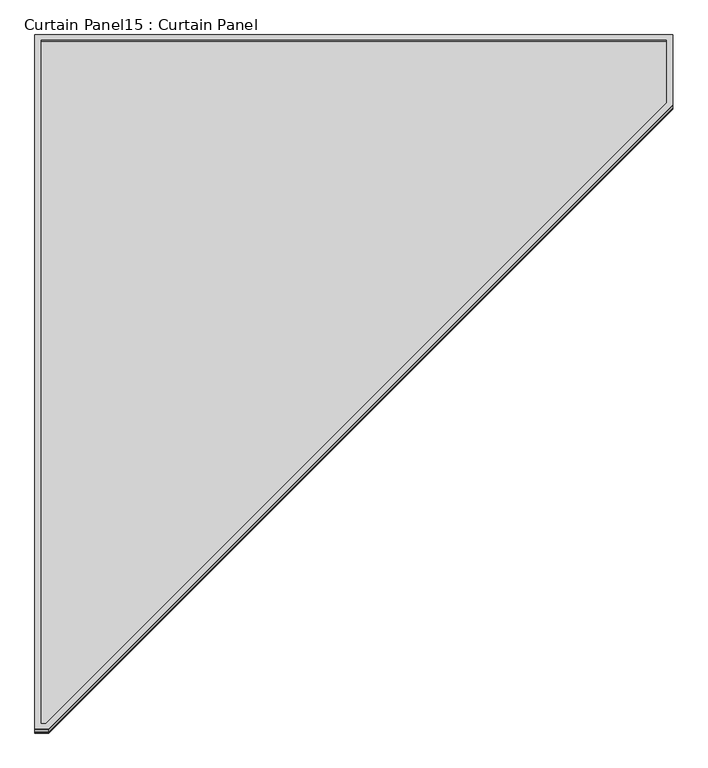
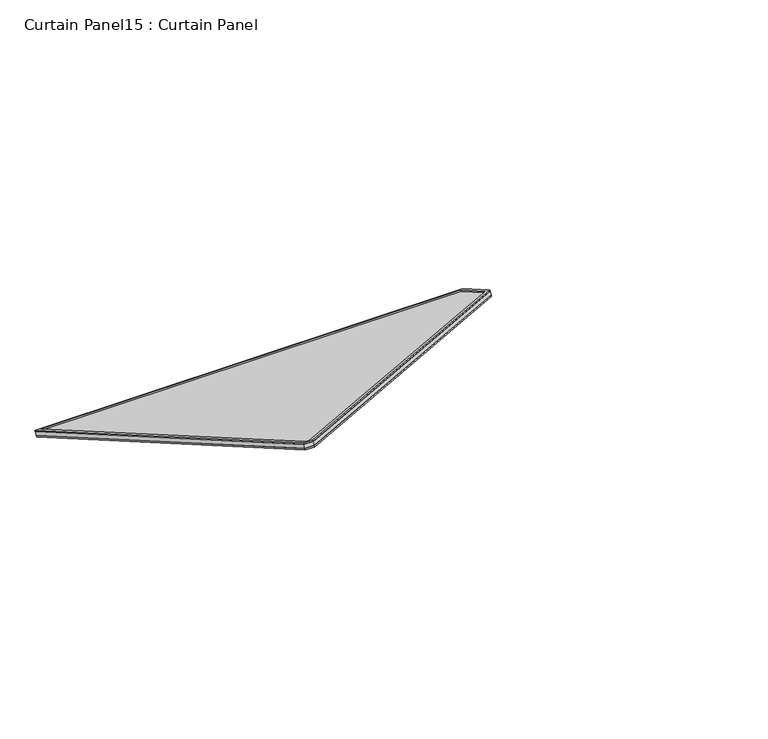
"""IFC4 building model written with IfcOpenShell, lengths in millimetres: plate geometry, Curtain Panel15 : Curtain Panel."""

import ifcopenshell
import ifcopenshell.guid

model = None  # the IFC model being written
_history = None  # IfcOwnerHistory: only IFC2X3 demands one
_inside = {}  # id of a spatial element -> (the spatial element, [elements in it])
_under = {}  # id of a project, library or spatial element -> (it, [spatial elements below it])
_declared = {}  # id of a project -> (the project, [libraries it declares])
_typed = {}  # id of a type object -> (the type object, [elements of that type])
_made_of = {}  # id of a material, layer set ... -> (it, [elements and type objects made of it])


def new_model(schema):
    """Start an empty IFC model of exactly this schema.

    Asked for "IFC4X3", IfcOpenShell would pick the latest addendum, in which some entities
    have other attributes; the version numbers below select the first issue.
    IFC2X3 requires an IfcOwnerHistory on every rooted entity: one is made here for all.
    """
    global model, _history
    if schema == "IFC4X3":
        model = ifcopenshell.file(schema_version=(4, 3, 0, 0))
    else:
        model = ifcopenshell.file(schema=schema)
    _inside.clear()
    _under.clear()
    _declared.clear()
    _typed.clear()
    _made_of.clear()
    _history = None
    if model.schema == "IFC2X3":
        org = make("IfcOrganization", Name="unknown")
        user = make(
            "IfcPersonAndOrganization",
            ThePerson=make("IfcPerson", FamilyName="unknown"),
            TheOrganization=org,
        )
        app = make(
            "IfcApplication",
            ApplicationDeveloper=org,
            Version="unknown",
            ApplicationFullName="unknown",
            ApplicationIdentifier="unknown",
        )
        _history = make(
            "IfcOwnerHistory",
            OwningUser=user,
            OwningApplication=app,
            ChangeAction="ADDED",
            CreationDate=0,
        )
    return model


def make(cls, **values):
    """One entity of the class cls with the attributes given. An attribute that is None is left unset."""
    return model.create_entity(
        cls, **{name: value for name, value in values.items() if value is not None}
    )


def rooted(cls, **values):
    """An entity with a GlobalId (a new one), such as an element, a storey or a relation."""
    return make(cls, GlobalId=ifcopenshell.guid.new(), OwnerHistory=_history, **values)


def si_unit(unit_type, name, prefix=None):
    """IfcSIUnit, for example si_unit("LENGTHUNIT", "METRE", prefix="MILLI")."""
    return make("IfcSIUnit", UnitType=unit_type, Prefix=prefix, Name=name)


def assignment(units):
    """IfcUnitAssignment: the units of a project."""
    return None if units is None else make("IfcUnitAssignment", Units=units)


def point(xyz):
    """IfcCartesianPoint."""
    return None if xyz is None else make("IfcCartesianPoint", Coordinates=xyz)


def direction(xyz):
    """IfcDirection."""
    return None if xyz is None else make("IfcDirection", DirectionRatios=xyz)


def frame(location, z_axis=None, x_axis=None):
    """IfcAxis2Placement3D, a coordinate frame: its origin and axes. An axis left out is left unset."""
    return make(
        "IfcAxis2Placement3D",
        Location=point(location),
        Axis=direction(z_axis),
        RefDirection=direction(x_axis),
    )


def origin():
    """The frame at (0, 0, 0) with its axes left unset."""
    return frame((0.0, 0.0, 0.0))


def place(relative_to, where):
    """IfcLocalPlacement: puts the frame where relative to a parent placement (None: the world)."""
    return make(
        "IfcLocalPlacement", PlacementRelTo=relative_to, RelativePlacement=where
    )


def context(
    kind, dimensions, precision=None, world=None, true_north=None, identifier=None
):
    """IfcGeometricRepresentationContext, for example the 3D "Model" context."""
    return make(
        "IfcGeometricRepresentationContext",
        ContextIdentifier=identifier,
        ContextType=kind,
        CoordinateSpaceDimension=dimensions,
        Precision=precision,
        WorldCoordinateSystem=world,
        TrueNorth=true_north,
    )


def project(units=None, contexts=None):
    """IfcProject with its units and contexts."""
    return rooted(
        "IfcProject",
        Name="project",
        RepresentationContexts=contexts,
        UnitsInContext=assignment(units),
    )


def spatial(cls, under=None, at=None, **own):
    """A site, building, storey or space (cls), placed at a placement, below another one or the project."""
    s = rooted(cls, ObjectPlacement=at, **own)
    if under is not None:
        _under.setdefault(under.id(), (under, []))[1].append(s)
    return s


def polyline(points):
    """IfcPolyline through the points."""
    return make("IfcPolyline", Points=[point(p) for p in points])


def outline(outer, holes=None, kind="AREA"):
    """IfcArbitraryClosedProfileDef: a profile drawn as a closed curve; with holes, ...WithVoids."""
    if holes is None:
        return make("IfcArbitraryClosedProfileDef", ProfileType=kind, OuterCurve=outer)
    return make(
        "IfcArbitraryProfileDefWithVoids",
        ProfileType=kind,
        OuterCurve=outer,
        InnerCurves=holes,
    )


def extrude(swept, where, along, depth):
    """IfcExtrudedAreaSolid: the profile swept, set in the frame where, extruded along a direction by depth."""
    return make(
        "IfcExtrudedAreaSolid",
        SweptArea=swept,
        Position=where,
        ExtrudedDirection=direction(along),
        Depth=depth,
    )


def shape(context_of_items, identifier, shape_type, items):
    """IfcShapeRepresentation: the items that make up one representation, for example the "Body"."""
    return make(
        "IfcShapeRepresentation",
        ContextOfItems=context_of_items,
        RepresentationIdentifier=identifier,
        RepresentationType=shape_type,
        Items=items,
    )


def source(mapping_origin, context_of_items, identifier, shape_type, items):
    """IfcRepresentationMap: a shape defined once, which mapped items show again and again."""
    return make(
        "IfcRepresentationMap",
        MappingOrigin=mapping_origin,
        MappedRepresentation=shape(context_of_items, identifier, shape_type, items),
    )


def transform(
    local_origin,
    x_axis=None,
    y_axis=None,
    z_axis=None,
    scale=None,
    scale2=None,
    scale3=None,
    uniform=True,
):
    """IfcCartesianTransformationOperator3D, or its non-uniform kind. x_axis, y_axis, z_axis: its Axis1, 2, 3."""
    if uniform:
        return make(
            "IfcCartesianTransformationOperator3D",
            Axis1=direction(x_axis),
            Axis2=direction(y_axis),
            LocalOrigin=point(local_origin),
            Scale=scale,
            Axis3=direction(z_axis),
        )
    return make(
        "IfcCartesianTransformationOperator3DnonUniform",
        Axis1=direction(x_axis),
        Axis2=direction(y_axis),
        LocalOrigin=point(local_origin),
        Scale=scale,
        Axis3=direction(z_axis),
        Scale2=scale2,
        Scale3=scale3,
    )


def mapped(mapping_source, mapping_target):
    """IfcMappedItem: shows the shape of a source again, moved by a transform."""
    return make(
        "IfcMappedItem", MappingSource=mapping_source, MappingTarget=mapping_target
    )


def made_of(thing, what):
    """Note that an element or type object is made of a material, layer set ...; save() writes the relation."""
    if what is not None:
        _made_of.setdefault(what.id(), (what, []))[1].append(thing)
    return thing


def element(
    cls,
    number,
    at=None,
    inside=None,
    cuts=None,
    type_object=None,
    material=None,
    context=None,
    identifier="Body",
    shape_type=None,
    held_by="IfcProductDefinitionShape",
    body=None,
    shapes=None,
    **own,
):
    """One element of the class cls, such as IfcWall. Its Tag is "e" and its number.

    at: its placement. inside: the storey or other place that contains it. cuts: it is an
    opening in that element (IfcRelVoidsElement). A single representation is given by context,
    identifier, shape_type and body (its items); several are given by shapes. held_by: the class
    of the entity that holds the representations. save() writes the other relations.
    """
    e = rooted(cls, Tag="e%d" % number, ObjectPlacement=at, **own)
    if body is not None:
        shapes = [shape(context, identifier, shape_type, body)]
    if shapes is not None:
        e.Representation = make(held_by, Representations=shapes)
    if inside is not None:
        _inside.setdefault(inside.id(), (inside, []))[1].append(e)
    if cuts is not None:
        rooted(
            "IfcRelVoidsElement", RelatingBuildingElement=cuts, RelatedOpeningElement=e
        )
    if type_object is not None:
        _typed.setdefault(type_object.id(), (type_object, []))[1].append(e)
    return made_of(e, material)


def aggregate(whole, parts):
    """IfcRelAggregates: a whole, such as a stair, and the parts it consists of."""
    return rooted("IfcRelAggregates", RelatingObject=whole, RelatedObjects=parts)


def save(model, path):
    """Write the relations noted so far, then the file.

    IfcRelAggregates (storeys below a building ...), IfcRelContainedInSpatialStructure (elements
    in a storey), IfcRelDefinesByType, IfcRelAssociatesMaterial and IfcRelDeclares: one each for
    every whole, place, type object, material and project.
    """
    for whole, parts in _under.values():
        aggregate(whole, parts)
    for where, things in _inside.values():
        rooted(
            "IfcRelContainedInSpatialStructure",
            RelatedElements=things,
            RelatingStructure=where,
        )
    for kind, things in _typed.values():
        rooted("IfcRelDefinesByType", RelatedObjects=things, RelatingType=kind)
    for what, things in _made_of.values():
        rooted("IfcRelAssociatesMaterial", RelatedObjects=things, RelatingMaterial=what)
    for by, libraries in _declared.values():
        rooted("IfcRelDeclares", RelatingContext=by, RelatedDefinitions=libraries)
    model.write(path)


def curtain_panel15_curtain_panel_03cd8b54(model_context):
    return source(origin(), model_context, "Body", "SweptSolid", [
        extrude(outline(polyline([(1993.5271137, -15.8877), (-15.8877, -15.8877), (-15.8877, 1584.3123), (185.8923222, 1584.3123), (1993.5271137, 18.8546498), (1993.5271137, -15.8877)]), holes=[polyline([(179.9689953, 1568.4246), (0.0, 1568.4246), (0.0, 0.0), (1977.6394137, 0.0), (1977.6394137, 11.5963501), (179.9689953, 1568.4246)])]), frame((10348.9407333, -9538.9654337, 1699.919691), z_axis=(0.0, 0.49999999999999906, 0.8660254037844392), x_axis=(0.0, -0.8660254037844392, 0.49999999999999906)), (0.0, 0.0, 1.0), 4.0243125),
        extrude(outline(polyline([(1998.2896136, -11.1252), (-11.1252, -11.1252), (-11.1252, 1589.0748), (190.6548222, 1589.0748), (1998.2896136, 23.6171498), (1998.2896136, -11.1252)]), holes=[polyline([(186.5070729, 1577.9496), (0.0, 1577.9496), (0.0, 0.0), (1987.1644136, 0.0), (1987.1644136, 18.5345994), (186.5070729, 1577.9496)])]), frame((10344.1782333, -9544.0683315, 1681.5562128), z_axis=(0.0, 0.4999999999999993, 0.8660254037844392), x_axis=(0.0, -0.8660254037844392, 0.4999999999999993)), (0.0, 0.0, 1.0), 4.8617187),
        extrude(outline(polyline([(12.7, 0.0), (1612.9, 0.0), (1612.9, -201.7800222), (47.4423498, -2009.4148137), (12.7, -2009.4148137), (12.7, 0.0)])), frame((10320.3530333, -9532.0027663, 1680.2039847), z_axis=(0.0, 0.5000000000000002, 0.8660254037844386), x_axis=(1.0, 0.0, 0.0)), (0.0, 0.0, 1.0), 13.5929687),
    ])


if __name__ == "__main__":
    model = new_model("IFC4")
    model_context = context("Model", 3, world=origin())
    ifc_project = project(units=[si_unit("LENGTHUNIT", "METRE", prefix="MILLI")], contexts=[model_context])
    site = spatial("IfcSite", under=ifc_project)
    building = spatial("IfcBuilding", under=site)
    placement = place(None, origin())
    curtain_panel15_curtain_panel_shape = curtain_panel15_curtain_panel_03cd8b54(model_context)
    element("IfcPlate", 1, ObjectType="Curtain Panel15 : Curtain Panel", at=placement, inside=building, context=model_context, shape_type="MappedRepresentation", body=[
        mapped(curtain_panel15_curtain_panel_shape, transform((0.0, 0.0, 0.0), x_axis=(1.0, 0.0, 0.0), y_axis=(0.0, 1.0, 0.0), z_axis=(0.0, 0.0, 1.0))),
    ])
    save(model, "model.ifc")
